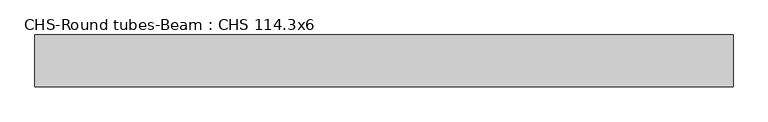
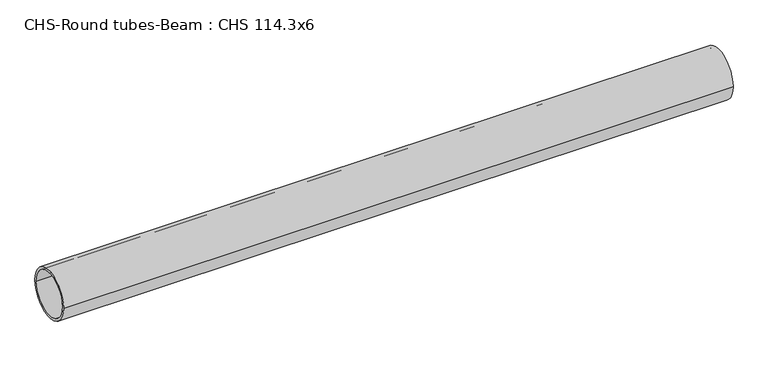
"""IFC4 building model written with IfcOpenShell, lengths in millimetres: beam geometry, CHS-Round tubes-Beam : CHS 114.3x6."""

import ifcopenshell
import ifcopenshell.guid

model = None  # the IFC model being written
_history = None  # IfcOwnerHistory: only IFC2X3 demands one
_inside = {}  # id of a spatial element -> (the spatial element, [elements in it])
_under = {}  # id of a project, library or spatial element -> (it, [spatial elements below it])
_declared = {}  # id of a project -> (the project, [libraries it declares])
_typed = {}  # id of a type object -> (the type object, [elements of that type])
_made_of = {}  # id of a material, layer set ... -> (it, [elements and type objects made of it])


def new_model(schema):
    """Start an empty IFC model of exactly this schema.

    Asked for "IFC4X3", IfcOpenShell would pick the latest addendum, in which some entities
    have other attributes; the version numbers below select the first issue.
    IFC2X3 requires an IfcOwnerHistory on every rooted entity: one is made here for all.
    """
    global model, _history
    if schema == "IFC4X3":
        model = ifcopenshell.file(schema_version=(4, 3, 0, 0))
    else:
        model = ifcopenshell.file(schema=schema)
    _inside.clear()
    _under.clear()
    _declared.clear()
    _typed.clear()
    _made_of.clear()
    _history = None
    if model.schema == "IFC2X3":
        org = make("IfcOrganization", Name="unknown")
        user = make(
            "IfcPersonAndOrganization",
            ThePerson=make("IfcPerson", FamilyName="unknown"),
            TheOrganization=org,
        )
        app = make(
            "IfcApplication",
            ApplicationDeveloper=org,
            Version="unknown",
            ApplicationFullName="unknown",
            ApplicationIdentifier="unknown",
        )
        _history = make(
            "IfcOwnerHistory",
            OwningUser=user,
            OwningApplication=app,
            ChangeAction="ADDED",
            CreationDate=0,
        )
    return model


def make(cls, **values):
    """One entity of the class cls with the attributes given. An attribute that is None is left unset."""
    return model.create_entity(
        cls, **{name: value for name, value in values.items() if value is not None}
    )


def rooted(cls, **values):
    """An entity with a GlobalId (a new one), such as an element, a storey or a relation."""
    return make(cls, GlobalId=ifcopenshell.guid.new(), OwnerHistory=_history, **values)


def si_unit(unit_type, name, prefix=None):
    """IfcSIUnit, for example si_unit("LENGTHUNIT", "METRE", prefix="MILLI")."""
    return make("IfcSIUnit", UnitType=unit_type, Prefix=prefix, Name=name)


def assignment(units):
    """IfcUnitAssignment: the units of a project."""
    return None if units is None else make("IfcUnitAssignment", Units=units)


def point(xyz):
    """IfcCartesianPoint."""
    return None if xyz is None else make("IfcCartesianPoint", Coordinates=xyz)


def direction(xyz):
    """IfcDirection."""
    return None if xyz is None else make("IfcDirection", DirectionRatios=xyz)


def frame(location, z_axis=None, x_axis=None):
    """IfcAxis2Placement3D, a coordinate frame: its origin and axes. An axis left out is left unset."""
    return make(
        "IfcAxis2Placement3D",
        Location=point(location),
        Axis=direction(z_axis),
        RefDirection=direction(x_axis),
    )


def frame_2d(location, x_axis=None):
    """IfcAxis2Placement2D, a coordinate frame in the plane: its origin and x axis."""
    return make(
        "IfcAxis2Placement2D", Location=point(location), RefDirection=direction(x_axis)
    )


def origin():
    """The frame at (0, 0, 0) with its axes left unset."""
    return frame((0.0, 0.0, 0.0))


def origin_2d():
    """The frame at (0, 0) in the plane with its x axis left unset."""
    return frame_2d((0.0, 0.0))


def place(relative_to, where):
    """IfcLocalPlacement: puts the frame where relative to a parent placement (None: the world)."""
    return make(
        "IfcLocalPlacement", PlacementRelTo=relative_to, RelativePlacement=where
    )


def context(
    kind, dimensions, precision=None, world=None, true_north=None, identifier=None
):
    """IfcGeometricRepresentationContext, for example the 3D "Model" context."""
    return make(
        "IfcGeometricRepresentationContext",
        ContextIdentifier=identifier,
        ContextType=kind,
        CoordinateSpaceDimension=dimensions,
        Precision=precision,
        WorldCoordinateSystem=world,
        TrueNorth=true_north,
    )


def project(units=None, contexts=None):
    """IfcProject with its units and contexts."""
    return rooted(
        "IfcProject",
        Name="project",
        RepresentationContexts=contexts,
        UnitsInContext=assignment(units),
    )


def spatial(cls, under=None, at=None, **own):
    """A site, building, storey or space (cls), placed at a placement, below another one or the project."""
    s = rooted(cls, ObjectPlacement=at, **own)
    if under is not None:
        _under.setdefault(under.id(), (under, []))[1].append(s)
    return s


def circle_curve(where, radius):
    """IfcCircle in the frame where."""
    return make("IfcCircle", Position=where, Radius=radius)


def trimmed(basis, trim1, trim2, sense, master):
    """IfcTrimmedCurve: the piece of a basis curve between two trims."""
    return make(
        "IfcTrimmedCurve",
        BasisCurve=basis,
        Trim1=trim1,
        Trim2=trim2,
        SenseAgreement=sense,
        MasterRepresentation=master,
    )


def segment(curve, same_sense, transition):
    """IfcCompositeCurveSegment."""
    return make(
        "IfcCompositeCurveSegment",
        Transition=transition,
        SameSense=same_sense,
        ParentCurve=curve,
    )


def composite_curve(segments, self_intersect=None):
    """IfcCompositeCurve: segments joined end to end."""
    return make("IfcCompositeCurve", Segments=segments, SelfIntersect=self_intersect)


def outline(outer, holes=None, kind="AREA"):
    """IfcArbitraryClosedProfileDef: a profile drawn as a closed curve; with holes, ...WithVoids."""
    if holes is None:
        return make("IfcArbitraryClosedProfileDef", ProfileType=kind, OuterCurve=outer)
    return make(
        "IfcArbitraryProfileDefWithVoids",
        ProfileType=kind,
        OuterCurve=outer,
        InnerCurves=holes,
    )


def extrude(swept, where, along, depth):
    """IfcExtrudedAreaSolid: the profile swept, set in the frame where, extruded along a direction by depth."""
    return make(
        "IfcExtrudedAreaSolid",
        SweptArea=swept,
        Position=where,
        ExtrudedDirection=direction(along),
        Depth=depth,
    )


def shape(context_of_items, identifier, shape_type, items):
    """IfcShapeRepresentation: the items that make up one representation, for example the "Body"."""
    return make(
        "IfcShapeRepresentation",
        ContextOfItems=context_of_items,
        RepresentationIdentifier=identifier,
        RepresentationType=shape_type,
        Items=items,
    )


def source(mapping_origin, context_of_items, identifier, shape_type, items):
    """IfcRepresentationMap: a shape defined once, which mapped items show again and again."""
    return make(
        "IfcRepresentationMap",
        MappingOrigin=mapping_origin,
        MappedRepresentation=shape(context_of_items, identifier, shape_type, items),
    )


def transform(
    local_origin,
    x_axis=None,
    y_axis=None,
    z_axis=None,
    scale=None,
    scale2=None,
    scale3=None,
    uniform=True,
):
    """IfcCartesianTransformationOperator3D, or its non-uniform kind. x_axis, y_axis, z_axis: its Axis1, 2, 3."""
    if uniform:
        return make(
            "IfcCartesianTransformationOperator3D",
            Axis1=direction(x_axis),
            Axis2=direction(y_axis),
            LocalOrigin=point(local_origin),
            Scale=scale,
            Axis3=direction(z_axis),
        )
    return make(
        "IfcCartesianTransformationOperator3DnonUniform",
        Axis1=direction(x_axis),
        Axis2=direction(y_axis),
        LocalOrigin=point(local_origin),
        Scale=scale,
        Axis3=direction(z_axis),
        Scale2=scale2,
        Scale3=scale3,
    )


def mapped(mapping_source, mapping_target):
    """IfcMappedItem: shows the shape of a source again, moved by a transform."""
    return make(
        "IfcMappedItem", MappingSource=mapping_source, MappingTarget=mapping_target
    )


def made_of(thing, what):
    """Note that an element or type object is made of a material, layer set ...; save() writes the relation."""
    if what is not None:
        _made_of.setdefault(what.id(), (what, []))[1].append(thing)
    return thing


def element(
    cls,
    number,
    at=None,
    inside=None,
    cuts=None,
    type_object=None,
    material=None,
    context=None,
    identifier="Body",
    shape_type=None,
    held_by="IfcProductDefinitionShape",
    body=None,
    shapes=None,
    **own,
):
    """One element of the class cls, such as IfcWall. Its Tag is "e" and its number.

    at: its placement. inside: the storey or other place that contains it. cuts: it is an
    opening in that element (IfcRelVoidsElement). A single representation is given by context,
    identifier, shape_type and body (its items); several are given by shapes. held_by: the class
    of the entity that holds the representations. save() writes the other relations.
    """
    e = rooted(cls, Tag="e%d" % number, ObjectPlacement=at, **own)
    if body is not None:
        shapes = [shape(context, identifier, shape_type, body)]
    if shapes is not None:
        e.Representation = make(held_by, Representations=shapes)
    if inside is not None:
        _inside.setdefault(inside.id(), (inside, []))[1].append(e)
    if cuts is not None:
        rooted(
            "IfcRelVoidsElement", RelatingBuildingElement=cuts, RelatedOpeningElement=e
        )
    if type_object is not None:
        _typed.setdefault(type_object.id(), (type_object, []))[1].append(e)
    return made_of(e, material)


def aggregate(whole, parts):
    """IfcRelAggregates: a whole, such as a stair, and the parts it consists of."""
    return rooted("IfcRelAggregates", RelatingObject=whole, RelatedObjects=parts)


def save(model, path):
    """Write the relations noted so far, then the file.

    IfcRelAggregates (storeys below a building ...), IfcRelContainedInSpatialStructure (elements
    in a storey), IfcRelDefinesByType, IfcRelAssociatesMaterial and IfcRelDeclares: one each for
    every whole, place, type object, material and project.
    """
    for whole, parts in _under.values():
        aggregate(whole, parts)
    for where, things in _inside.values():
        rooted(
            "IfcRelContainedInSpatialStructure",
            RelatedElements=things,
            RelatingStructure=where,
        )
    for kind, things in _typed.values():
        rooted("IfcRelDefinesByType", RelatedObjects=things, RelatingType=kind)
    for what, things in _made_of.values():
        rooted("IfcRelAssociatesMaterial", RelatedObjects=things, RelatingMaterial=what)
    for by, libraries in _declared.values():
        rooted("IfcRelDeclares", RelatingContext=by, RelatedDefinitions=libraries)
    model.write(path)


def chs_round_tubes_beam_chs_114_3x6_28b47f2d(model_context):
    return source(origin(), model_context, "Body", "SweptSolid", [
        extrude(outline(composite_curve([segment(trimmed(circle_curve(origin_2d(), 57.15), [point((57.15, 0.0))], [point((-57.15, 0.0))], False, "CARTESIAN"), True, "CONTINUOUS"), segment(trimmed(circle_curve(origin_2d(), 57.15), [point((-57.15, 0.0))], [point((57.15, 0.0))], False, "CARTESIAN"), True, "CONTINUOUS")], self_intersect=False), holes=[composite_curve([segment(trimmed(circle_curve(origin_2d(), 51.15), [point((51.15, 0.0))], [point((-51.15, 0.0))], True, "CARTESIAN"), True, "CONTINUOUS"), segment(trimmed(circle_curve(origin_2d(), 51.15), [point((-51.15, 0.0))], [point((51.15, 0.0))], True, "CARTESIAN"), True, "CONTINUOUS")], self_intersect=False)]), frame((-760.4586733, 0.0, 0.0), z_axis=(1.0, 0.0, 0.0), x_axis=(0.0, 1.0, 0.0)), (0.0, 0.0, 1.0), 1538.392434),
    ])


if __name__ == "__main__":
    model = new_model("IFC4")
    model_context = context("Model", 3, world=origin())
    ifc_project = project(units=[si_unit("LENGTHUNIT", "METRE", prefix="MILLI")], contexts=[model_context])
    site = spatial("IfcSite", under=ifc_project)
    building = spatial("IfcBuilding", under=site)
    placement = place(None, origin())
    chs_round_tubes_beam_chs_114_3x6_shape = chs_round_tubes_beam_chs_114_3x6_28b47f2d(model_context)
    element("IfcBeam", 1, ObjectType="CHS-Round tubes-Beam : CHS 114.3x6", at=placement, inside=building, context=model_context, shape_type="MappedRepresentation", body=[
        mapped(chs_round_tubes_beam_chs_114_3x6_shape, transform((0.0, 0.0, 0.0), x_axis=(1.0, 0.0, 0.0), y_axis=(0.0, 1.0, 0.0), z_axis=(0.0, 0.0, 1.0))),
    ])
    save(model, "model.ifc")
